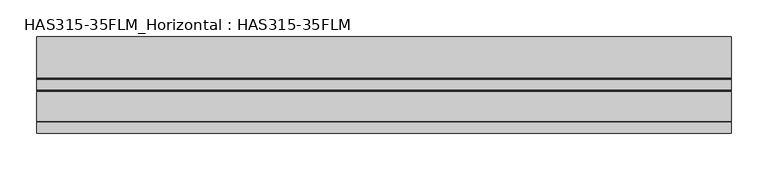
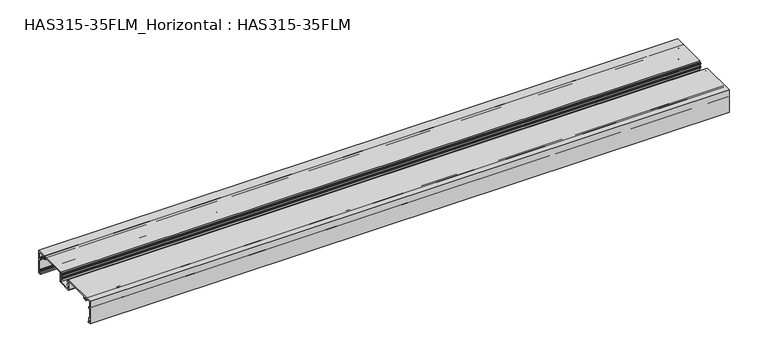
"""IFC4 building model written with IfcOpenShell, lengths in millimetres: beam geometry, HAS315-35FLM_Horizontal : HAS315-35FLM."""

from ifc_helpers import new_model, si_unit, point, frame, frame_2d, origin, place, context, project, spatial, polyline, circle_curve, trimmed, segment, composite_curve, outline, extrude, source, transform, mapped, element, save


def has315_35flm_horizontal_has315_35flm_d3ca9734(model_context):
    return source(origin(), model_context, "Body", "SweptSolid", [
        extrude(outline(composite_curve([segment(polyline([(-64.7266881, 4.6527331), (-64.7266881, 1.4855305), (-61.755627, 1.4855305), (-60.9067524, 0.6366559), (-61.755627, 0.0), (-66.0, 0.0), (-66.0, 35.0), (-9.7620579, 35.0), (-9.7620579, 32.6655949), (-8.2722731, 32.6655949)]), True, "CONTINUOUS"), segment(trimmed(circle_curve(frame_2d((-8.2722731, 32.0331931)), 0.6324017), [point((-8.2722731, 32.6655949))], [point((-7.6398714, 32.0331931))], False, "CARTESIAN"), True, "CONTINUOUS"), segment(polyline([(-7.6398714, 32.0331931), (-7.6398714, 30.592283)]), True, "CONTINUOUS"), segment(trimmed(circle_curve(frame_2d((-8.0643087, 30.592283)), 0.4244373), [point((-7.6398714, 30.592283))], [point((-8.488746, 30.592283))], False, "CARTESIAN"), True, "CONTINUOUS"), segment(polyline([(-8.488746, 30.592283), (-8.488746, 31.392283), (-9.9742765, 31.392283), (-9.9742765, 26.0868167), (-8.488746, 26.0868167), (-8.488746, 26.922464)]), True, "CONTINUOUS"), segment(trimmed(circle_curve(frame_2d((-8.0643087, 26.922464)), 0.4244373), [point((-8.488746, 26.922464))], [point((-7.6398714, 26.922464))], False, "CARTESIAN"), True, "CONTINUOUS"), segment(polyline([(-7.6398714, 26.922464), (-7.6398714, 25.3751544)]), True, "CONTINUOUS"), segment(trimmed(circle_curve(frame_2d((-8.201521, 25.3751544)), 0.5616496), [point((-7.6398714, 25.3751544))], [point((-8.201521, 24.8135048))], False, "CARTESIAN"), True, "CONTINUOUS"), segment(polyline([(-8.201521, 24.8135048), (-9.7620579, 24.8135048), (-9.7620579, 20.1446945), (9.7620579, 20.1446945), (9.7620579, 24.8135048), (8.201521, 24.8135048)]), True, "CONTINUOUS"), segment(trimmed(circle_curve(frame_2d((8.201521, 25.3751544)), 0.5616496), [point((8.201521, 24.8135048))], [point((7.6398714, 25.3751544))], False, "CARTESIAN"), True, "CONTINUOUS"), segment(polyline([(7.6398714, 25.3751544), (7.6398714, 26.922464)]), True, "CONTINUOUS"), segment(trimmed(circle_curve(frame_2d((8.0643087, 26.922464)), 0.4244373), [point((7.6398714, 26.922464))], [point((8.488746, 26.922464))], False, "CARTESIAN"), True, "CONTINUOUS"), segment(polyline([(8.488746, 26.922464), (8.488746, 26.0868167), (9.9742765, 26.0868167), (9.9742765, 31.392283), (8.488746, 31.392283), (8.488746, 30.592283)]), True, "CONTINUOUS"), segment(trimmed(circle_curve(frame_2d((8.0643087, 30.592283)), 0.4244373), [point((8.488746, 30.592283))], [point((7.6398714, 30.592283))], False, "CARTESIAN"), True, "CONTINUOUS"), segment(polyline([(7.6398714, 30.592283), (7.6398714, 32.0331931)]), True, "CONTINUOUS"), segment(trimmed(circle_curve(frame_2d((8.2722731, 32.0331931)), 0.6324017), [point((7.6398714, 32.0331931))], [point((8.2722731, 32.6655949))], False, "CARTESIAN"), True, "CONTINUOUS"), segment(polyline([(8.2722731, 32.6655949), (9.7620579, 32.6655949), (9.7620579, 35.0), (66.0, 35.0), (66.0, 0.0), (61.755627, 0.0), (60.9067524, 0.6366559), (61.755627, 1.4855305), (64.7266881, 1.4855305), (64.7266881, 4.6527331), (63.0289389, 4.6527331)]), True, "CONTINUOUS"), segment(trimmed(circle_curve(frame_2d((63.0289389, 5.5016077)), 0.8488746), [point((63.0289389, 4.6527331))], [point((62.1800643, 5.5016077))], False, "CARTESIAN"), True, "CONTINUOUS"), segment(polyline([(62.1800643, 5.5016077), (62.1800643, 6.7749196)]), True, "CONTINUOUS"), segment(trimmed(circle_curve(frame_2d((62.7106109, 6.7749196)), 0.5305466), [point((62.1800643, 6.7749196))], [point((63.2411576, 6.7749196))], False, "CARTESIAN"), True, "CONTINUOUS"), segment(polyline([(63.2411576, 6.7749196), (63.2411576, 5.7138264), (64.7266881, 5.7138264), (64.7266881, 23.7524116), (63.2411576, 23.7524116), (63.2411576, 22.6913183)]), True, "CONTINUOUS"), segment(trimmed(circle_curve(frame_2d((62.7106109, 22.6913183)), 0.5305466), [point((63.2411576, 22.6913183))], [point((62.1800643, 22.6913183))], False, "CARTESIAN"), True, "CONTINUOUS"), segment(polyline([(62.1800643, 22.6913183), (62.1800643, 23.9646302)]), True, "CONTINUOUS"), segment(trimmed(circle_curve(frame_2d((63.0289389, 23.9646302)), 0.8488746), [point((62.1800643, 23.9646302))], [point((63.0289389, 24.8135048))], False, "CARTESIAN"), True, "CONTINUOUS"), segment(polyline([(63.0289389, 24.8135048), (64.7266881, 24.8135048), (64.7266881, 33.7266881), (56.0257235, 33.7266881), (56.0257235, 31.1800643), (55.3890675, 29.6945338), (54.4403253, 29.4573482)]), True, "CONTINUOUS"), segment(trimmed(circle_curve(frame_2d((55.4032154, 30.3877814)), 1.3389784), [point((54.4403253, 29.4573482))], [point((54.1157556, 30.755627))], False, "CARTESIAN"), True, "CONTINUOUS"), segment(polyline([(54.1157556, 30.755627), (54.5401929, 32.2411576), (52.9485531, 33.5675241), (51.3569132, 32.2411576), (51.7813505, 30.755627)]), True, "CONTINUOUS"), segment(trimmed(circle_curve(frame_2d((50.7202572, 30.755627)), 1.0610932), [point((51.7813505, 30.755627))], [point((50.7202572, 29.6945338))], False, "CARTESIAN"), True, "CONTINUOUS"), segment(polyline([(50.7202572, 29.6945338), (49.8713826, 31.392283), (50.1631833, 33.7266881), (11.2475884, 33.7266881), (11.2475884, 19.9324759), (10.8231511, 19.0836013), (9.9742765, 18.659164), (-9.9742765, 18.659164), (-10.8231511, 19.0836013), (-11.2475884, 19.9324759), (-11.2475884, 33.7266881), (-50.1631833, 33.7266881), (-49.8713826, 31.392283), (-50.7202572, 29.6945338)]), True, "CONTINUOUS"), segment(trimmed(circle_curve(frame_2d((-50.7202572, 30.755627)), 1.0610932), [point((-50.7202572, 29.6945338))], [point((-51.7813505, 30.755627))], False, "CARTESIAN"), True, "CONTINUOUS"), segment(polyline([(-51.7813505, 30.755627), (-51.3569132, 32.2411576), (-52.9485531, 33.5675241), (-54.5401929, 32.2411576), (-54.1157556, 30.755627)]), True, "CONTINUOUS"), segment(trimmed(circle_curve(frame_2d((-55.4032154, 30.3877814)), 1.3389784), [point((-54.1157556, 30.755627))], [point((-54.4403253, 29.4573482))], False, "CARTESIAN"), True, "CONTINUOUS"), segment(polyline([(-54.4403253, 29.4573482), (-55.3890675, 29.6945338), (-56.0257235, 31.1800643), (-56.0257235, 33.7266881), (-64.7266881, 33.7266881), (-64.7266881, 24.8135048), (-63.0289389, 24.8135048)]), True, "CONTINUOUS"), segment(trimmed(circle_curve(frame_2d((-63.0289389, 23.9646302)), 0.8488746), [point((-63.0289389, 24.8135048))], [point((-62.1800643, 23.9646302))], False, "CARTESIAN"), True, "CONTINUOUS"), segment(polyline([(-62.1800643, 23.9646302), (-62.1800643, 22.6913183)]), True, "CONTINUOUS"), segment(trimmed(circle_curve(frame_2d((-62.7106109, 22.6913183)), 0.5305466), [point((-62.1800643, 22.6913183))], [point((-63.2411576, 22.6913183))], False, "CARTESIAN"), True, "CONTINUOUS"), segment(polyline([(-63.2411576, 22.6913183), (-63.2411576, 23.7524116), (-64.7266881, 23.7524116), (-64.7266881, 5.7138264), (-63.2411576, 5.7138264), (-63.2411576, 6.7749196)]), True, "CONTINUOUS"), segment(trimmed(circle_curve(frame_2d((-62.7106109, 6.7749196)), 0.5305466), [point((-63.2411576, 6.7749196))], [point((-62.1800643, 6.7749196))], False, "CARTESIAN"), True, "CONTINUOUS"), segment(polyline([(-62.1800643, 6.7749196), (-62.1800643, 5.5016077)]), True, "CONTINUOUS"), segment(trimmed(circle_curve(frame_2d((-63.0289389, 5.5016077)), 0.8488746), [point((-62.1800643, 5.5016077))], [point((-63.0289389, 4.6527331))], False, "CARTESIAN"), True, "CONTINUOUS"), segment(polyline([(-63.0289389, 4.6527331), (-64.7266881, 4.6527331)]), True, "CONTINUOUS")], self_intersect=False)), frame((-474.9581994, 0.0, 0.0), z_axis=(1.0, 0.0, 0.0), x_axis=(0.0, 1.0, 0.0)), (0.0, 0.0, 1.0), 949.9163987),
    ])


if __name__ == "__main__":
    model = new_model("IFC4")
    model_context = context("Model", 3, world=origin())
    ifc_project = project(units=[si_unit("LENGTHUNIT", "METRE", prefix="MILLI")], contexts=[model_context])
    site = spatial("IfcSite", under=ifc_project)
    building = spatial("IfcBuilding", under=site)
    placement = place(None, origin())
    has315_35flm_horizontal_has315_35flm_shape = has315_35flm_horizontal_has315_35flm_d3ca9734(model_context)
    element("IfcBeam", 1, ObjectType="HAS315-35FLM_Horizontal : HAS315-35FLM", at=placement, inside=building, context=model_context, shape_type="MappedRepresentation", body=[
        mapped(has315_35flm_horizontal_has315_35flm_shape, transform((0.0, 0.0, 0.0), x_axis=(1.0, 0.0, 0.0), y_axis=(0.0, 1.0, 0.0), z_axis=(0.0, 0.0, 1.0))),
    ])
    save(model, "model.ifc")
